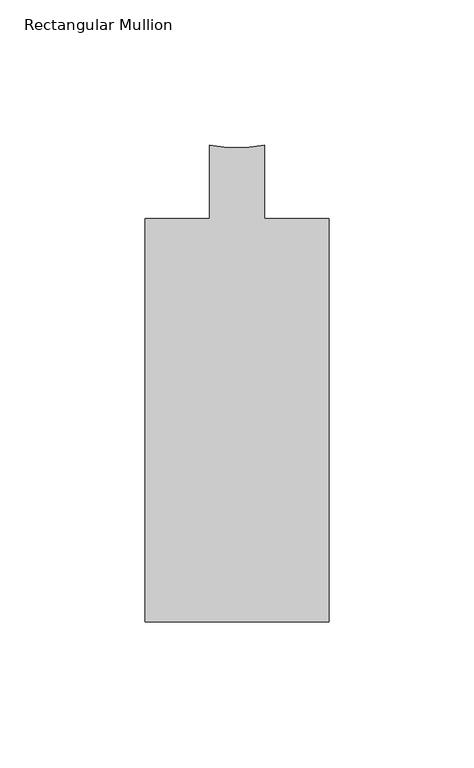
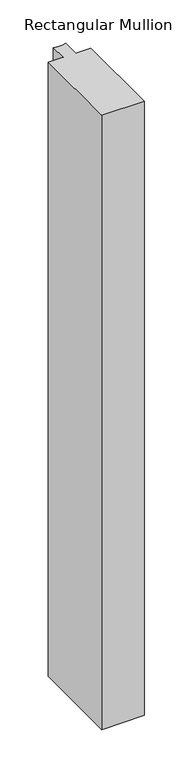
"""IFC4 building model written with IfcOpenShell, lengths in millimetres: member geometry, Rectangular Mullion."""

from ifc_helpers import new_model, si_unit, point, frame, frame_2d, origin, place, context, project, spatial, polyline, circle_curve, trimmed, segment, composite_curve, outline, extrude, source, transform, mapped, element, save


def rectangular_mullion_c868c953(model_context):
    return source(origin(), model_context, "Body", "SweptSolid", [
        extrude(outline(composite_curve([segment(polyline([(31.7501132, -164.6039063), (-31.75, -164.6039062), (-31.75, -25.4119063), (-9.5251132, -25.4119063), (-9.5251132, -0.0119063)]), True, "CONTINUOUS"), segment(trimmed(circle_curve(frame_2d((0.0, 40.683678)), 41.7954347), [point((-9.5251132, -0.0119063))], [point((9.525, -0.0119327))], True, "CARTESIAN"), True, "CONTINUOUS"), segment(polyline([(9.525, -0.0119327), (9.525, -25.4119063), (31.7501132, -25.4119063), (31.7501132, -164.6039063)]), True, "CONTINUOUS")], self_intersect=False)), frame((0.0, 0.0, -973.9409087), z_axis=(0.0, 0.0, 1.0), x_axis=(1.0, 0.0, 0.0)), (0.0, 0.0, 1.0), 973.9409087),
    ])


if __name__ == "__main__":
    model = new_model("IFC4")
    model_context = context("Model", 3, world=origin())
    ifc_project = project(units=[si_unit("LENGTHUNIT", "METRE", prefix="MILLI")], contexts=[model_context])
    site = spatial("IfcSite", under=ifc_project)
    building = spatial("IfcBuilding", under=site)
    placement = place(None, origin())
    rectangular_mullion_shape = rectangular_mullion_c868c953(model_context)
    element("IfcMember", 1, ObjectType="Rectangular Mullion", at=placement, inside=building, context=model_context, shape_type="MappedRepresentation", body=[
        mapped(rectangular_mullion_shape, transform((0.0, 0.0, 0.0), x_axis=(1.0, 0.0, 0.0), y_axis=(0.0, 1.0, 0.0), z_axis=(0.0, 0.0, 1.0))),
    ])
    save(model, "model.ifc")
